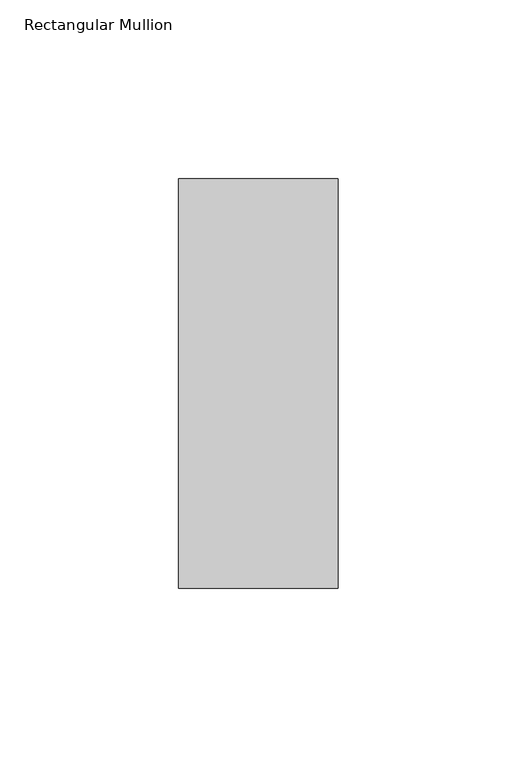
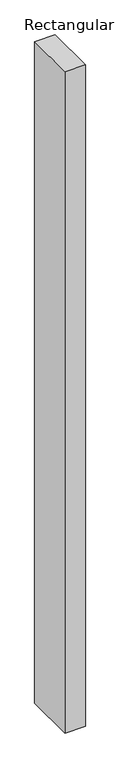
"""IFC4 building model written with IfcOpenShell, lengths in millimetres: member geometry, Rectangular Mullion."""

from ifc_helpers import new_model, si_unit, frame, origin, place, context, project, spatial, polyline, outline, extrude, source, transform, mapped, element, save


def rectangular_mullion_05aab455(model_context):
    return source(origin(), model_context, "Body", "SweptSolid", [
        extrude(outline(polyline([(22.2392248, 56.3844454), (22.2392248, -57.9084454), (-22.2107752, -57.9084454), (-22.2107752, 56.3844454), (22.2392248, 56.3844454)])), frame((0.0, 0.0, -1524.0), z_axis=(0.0, 0.0, 1.0), x_axis=(1.0, 0.0, 0.0)), (0.0, 0.0, 1.0), 1524.0),
    ])


if __name__ == "__main__":
    model = new_model("IFC4")
    model_context = context("Model", 3, world=origin())
    ifc_project = project(units=[si_unit("LENGTHUNIT", "METRE", prefix="MILLI")], contexts=[model_context])
    site = spatial("IfcSite", under=ifc_project)
    building = spatial("IfcBuilding", under=site)
    placement = place(None, origin())
    rectangular_mullion_shape = rectangular_mullion_05aab455(model_context)
    element("IfcMember", 1, ObjectType="Rectangular Mullion", at=placement, inside=building, context=model_context, shape_type="MappedRepresentation", body=[
        mapped(rectangular_mullion_shape, transform((0.0, 0.0, 0.0), x_axis=(1.0, 0.0, 0.0), y_axis=(0.0, 1.0, 0.0), z_axis=(0.0, 0.0, 1.0))),
    ])
    save(model, "model.ifc")
